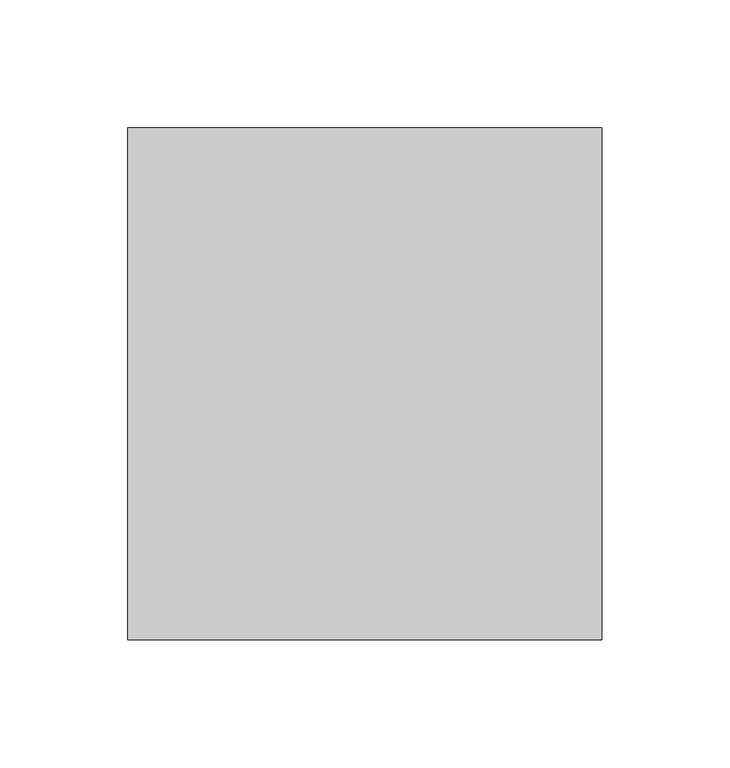
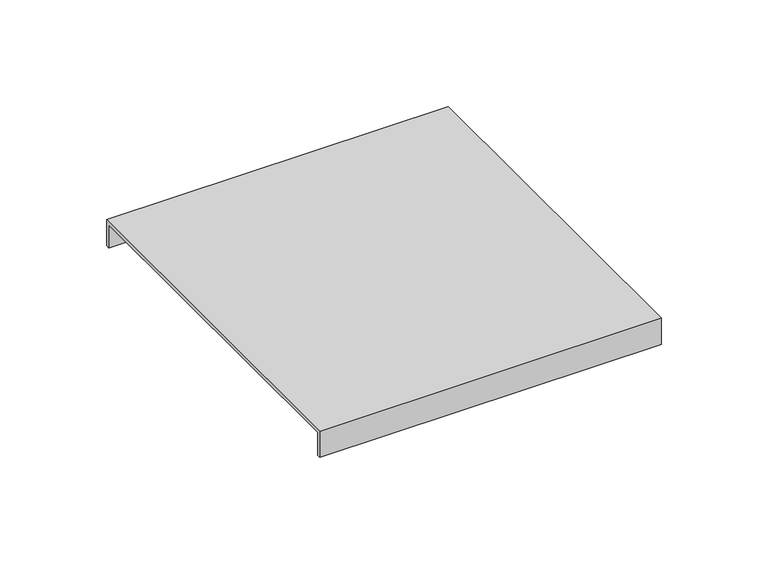
"""IFC4 building model written with IfcOpenShell, lengths in millimetres: furniture geometry."""

import ifcopenshell
import ifcopenshell.guid

model = None  # the IFC model being written
_history = None  # IfcOwnerHistory: only IFC2X3 demands one
_inside = {}  # id of a spatial element -> (the spatial element, [elements in it])
_under = {}  # id of a project, library or spatial element -> (it, [spatial elements below it])
_declared = {}  # id of a project -> (the project, [libraries it declares])
_typed = {}  # id of a type object -> (the type object, [elements of that type])
_made_of = {}  # id of a material, layer set ... -> (it, [elements and type objects made of it])


def new_model(schema):
    """Start an empty IFC model of exactly this schema.

    Asked for "IFC4X3", IfcOpenShell would pick the latest addendum, in which some entities
    have other attributes; the version numbers below select the first issue.
    IFC2X3 requires an IfcOwnerHistory on every rooted entity: one is made here for all.
    """
    global model, _history
    if schema == "IFC4X3":
        model = ifcopenshell.file(schema_version=(4, 3, 0, 0))
    else:
        model = ifcopenshell.file(schema=schema)
    _inside.clear()
    _under.clear()
    _declared.clear()
    _typed.clear()
    _made_of.clear()
    _history = None
    if model.schema == "IFC2X3":
        org = make("IfcOrganization", Name="unknown")
        user = make(
            "IfcPersonAndOrganization",
            ThePerson=make("IfcPerson", FamilyName="unknown"),
            TheOrganization=org,
        )
        app = make(
            "IfcApplication",
            ApplicationDeveloper=org,
            Version="unknown",
            ApplicationFullName="unknown",
            ApplicationIdentifier="unknown",
        )
        _history = make(
            "IfcOwnerHistory",
            OwningUser=user,
            OwningApplication=app,
            ChangeAction="ADDED",
            CreationDate=0,
        )
    return model


def make(cls, **values):
    """One entity of the class cls with the attributes given. An attribute that is None is left unset."""
    return model.create_entity(
        cls, **{name: value for name, value in values.items() if value is not None}
    )


def rooted(cls, **values):
    """An entity with a GlobalId (a new one), such as an element, a storey or a relation."""
    return make(cls, GlobalId=ifcopenshell.guid.new(), OwnerHistory=_history, **values)


def si_unit(unit_type, name, prefix=None):
    """IfcSIUnit, for example si_unit("LENGTHUNIT", "METRE", prefix="MILLI")."""
    return make("IfcSIUnit", UnitType=unit_type, Prefix=prefix, Name=name)


def assignment(units):
    """IfcUnitAssignment: the units of a project."""
    return None if units is None else make("IfcUnitAssignment", Units=units)


def point(xyz):
    """IfcCartesianPoint."""
    return None if xyz is None else make("IfcCartesianPoint", Coordinates=xyz)


def direction(xyz):
    """IfcDirection."""
    return None if xyz is None else make("IfcDirection", DirectionRatios=xyz)


def frame(location, z_axis=None, x_axis=None):
    """IfcAxis2Placement3D, a coordinate frame: its origin and axes. An axis left out is left unset."""
    return make(
        "IfcAxis2Placement3D",
        Location=point(location),
        Axis=direction(z_axis),
        RefDirection=direction(x_axis),
    )


def origin():
    """The frame at (0, 0, 0) with its axes left unset."""
    return frame((0.0, 0.0, 0.0))


def place(relative_to, where):
    """IfcLocalPlacement: puts the frame where relative to a parent placement (None: the world)."""
    return make(
        "IfcLocalPlacement", PlacementRelTo=relative_to, RelativePlacement=where
    )


def context(
    kind, dimensions, precision=None, world=None, true_north=None, identifier=None
):
    """IfcGeometricRepresentationContext, for example the 3D "Model" context."""
    return make(
        "IfcGeometricRepresentationContext",
        ContextIdentifier=identifier,
        ContextType=kind,
        CoordinateSpaceDimension=dimensions,
        Precision=precision,
        WorldCoordinateSystem=world,
        TrueNorth=true_north,
    )


def project(units=None, contexts=None):
    """IfcProject with its units and contexts."""
    return rooted(
        "IfcProject",
        Name="project",
        RepresentationContexts=contexts,
        UnitsInContext=assignment(units),
    )


def spatial(cls, under=None, at=None, **own):
    """A site, building, storey or space (cls), placed at a placement, below another one or the project."""
    s = rooted(cls, ObjectPlacement=at, **own)
    if under is not None:
        _under.setdefault(under.id(), (under, []))[1].append(s)
    return s


def polyline(points):
    """IfcPolyline through the points."""
    return make("IfcPolyline", Points=[point(p) for p in points])


def outline(outer, holes=None, kind="AREA"):
    """IfcArbitraryClosedProfileDef: a profile drawn as a closed curve; with holes, ...WithVoids."""
    if holes is None:
        return make("IfcArbitraryClosedProfileDef", ProfileType=kind, OuterCurve=outer)
    return make(
        "IfcArbitraryProfileDefWithVoids",
        ProfileType=kind,
        OuterCurve=outer,
        InnerCurves=holes,
    )


def extrude(swept, where, along, depth):
    """IfcExtrudedAreaSolid: the profile swept, set in the frame where, extruded along a direction by depth."""
    return make(
        "IfcExtrudedAreaSolid",
        SweptArea=swept,
        Position=where,
        ExtrudedDirection=direction(along),
        Depth=depth,
    )


def shape(context_of_items, identifier, shape_type, items):
    """IfcShapeRepresentation: the items that make up one representation, for example the "Body"."""
    return make(
        "IfcShapeRepresentation",
        ContextOfItems=context_of_items,
        RepresentationIdentifier=identifier,
        RepresentationType=shape_type,
        Items=items,
    )


def source(mapping_origin, context_of_items, identifier, shape_type, items):
    """IfcRepresentationMap: a shape defined once, which mapped items show again and again."""
    return make(
        "IfcRepresentationMap",
        MappingOrigin=mapping_origin,
        MappedRepresentation=shape(context_of_items, identifier, shape_type, items),
    )


def transform(
    local_origin,
    x_axis=None,
    y_axis=None,
    z_axis=None,
    scale=None,
    scale2=None,
    scale3=None,
    uniform=True,
):
    """IfcCartesianTransformationOperator3D, or its non-uniform kind. x_axis, y_axis, z_axis: its Axis1, 2, 3."""
    if uniform:
        return make(
            "IfcCartesianTransformationOperator3D",
            Axis1=direction(x_axis),
            Axis2=direction(y_axis),
            LocalOrigin=point(local_origin),
            Scale=scale,
            Axis3=direction(z_axis),
        )
    return make(
        "IfcCartesianTransformationOperator3DnonUniform",
        Axis1=direction(x_axis),
        Axis2=direction(y_axis),
        LocalOrigin=point(local_origin),
        Scale=scale,
        Axis3=direction(z_axis),
        Scale2=scale2,
        Scale3=scale3,
    )


def mapped(mapping_source, mapping_target):
    """IfcMappedItem: shows the shape of a source again, moved by a transform."""
    return make(
        "IfcMappedItem", MappingSource=mapping_source, MappingTarget=mapping_target
    )


def made_of(thing, what):
    """Note that an element or type object is made of a material, layer set ...; save() writes the relation."""
    if what is not None:
        _made_of.setdefault(what.id(), (what, []))[1].append(thing)
    return thing


def element(
    cls,
    number,
    at=None,
    inside=None,
    cuts=None,
    type_object=None,
    material=None,
    context=None,
    identifier="Body",
    shape_type=None,
    held_by="IfcProductDefinitionShape",
    body=None,
    shapes=None,
    **own,
):
    """One element of the class cls, such as IfcWall. Its Tag is "e" and its number.

    at: its placement. inside: the storey or other place that contains it. cuts: it is an
    opening in that element (IfcRelVoidsElement). A single representation is given by context,
    identifier, shape_type and body (its items); several are given by shapes. held_by: the class
    of the entity that holds the representations. save() writes the other relations.
    """
    e = rooted(cls, Tag="e%d" % number, ObjectPlacement=at, **own)
    if body is not None:
        shapes = [shape(context, identifier, shape_type, body)]
    if shapes is not None:
        e.Representation = make(held_by, Representations=shapes)
    if inside is not None:
        _inside.setdefault(inside.id(), (inside, []))[1].append(e)
    if cuts is not None:
        rooted(
            "IfcRelVoidsElement", RelatingBuildingElement=cuts, RelatedOpeningElement=e
        )
    if type_object is not None:
        _typed.setdefault(type_object.id(), (type_object, []))[1].append(e)
    return made_of(e, material)


def aggregate(whole, parts):
    """IfcRelAggregates: a whole, such as a stair, and the parts it consists of."""
    return rooted("IfcRelAggregates", RelatingObject=whole, RelatedObjects=parts)


def save(model, path):
    """Write the relations noted so far, then the file.

    IfcRelAggregates (storeys below a building ...), IfcRelContainedInSpatialStructure (elements
    in a storey), IfcRelDefinesByType, IfcRelAssociatesMaterial and IfcRelDeclares: one each for
    every whole, place, type object, material and project.
    """
    for whole, parts in _under.values():
        aggregate(whole, parts)
    for where, things in _inside.values():
        rooted(
            "IfcRelContainedInSpatialStructure",
            RelatedElements=things,
            RelatingStructure=where,
        )
    for kind, things in _typed.values():
        rooted("IfcRelDefinesByType", RelatedObjects=things, RelatingType=kind)
    for what, things in _made_of.values():
        rooted("IfcRelAssociatesMaterial", RelatedObjects=things, RelatingMaterial=what)
    for by, libraries in _declared.values():
        rooted("IfcRelDeclares", RelatingContext=by, RelatedDefinitions=libraries)
    model.write(path)


def furniture_19610d40(model_context):
    return source(origin(), model_context, "Body", "SweptSolid", [
        extrude(outline(polyline([(100.0, 515.0), (100.0, 500.0), (98.0, 500.0), (98.0, 513.0), (-98.0, 513.0), (-98.0, 500.0), (-100.0, 500.0), (-100.0, 515.0), (100.0, 515.0)])), frame((-805.0, 0.0, 0.0), z_axis=(1.0, 0.0, 0.0), x_axis=(0.0, 1.0, 0.0)), (0.0, 0.0, 1.0), 185.0),
    ])


if __name__ == "__main__":
    model = new_model("IFC4")
    model_context = context("Model", 3, world=origin())
    ifc_project = project(units=[si_unit("LENGTHUNIT", "METRE", prefix="MILLI")], contexts=[model_context])
    site = spatial("IfcSite", under=ifc_project)
    building = spatial("IfcBuilding", under=site)
    placement = place(None, origin())
    furniture_shape = furniture_19610d40(model_context)
    element("IfcFurniture", 1, at=placement, inside=building, context=model_context, shape_type="MappedRepresentation", body=[
        mapped(furniture_shape, transform((0.0, 0.0, 0.0), x_axis=(1.0, 0.0, 0.0), y_axis=(0.0, 1.0, 0.0), z_axis=(0.0, 0.0, 1.0))),
    ])
    save(model, "model.ifc")
